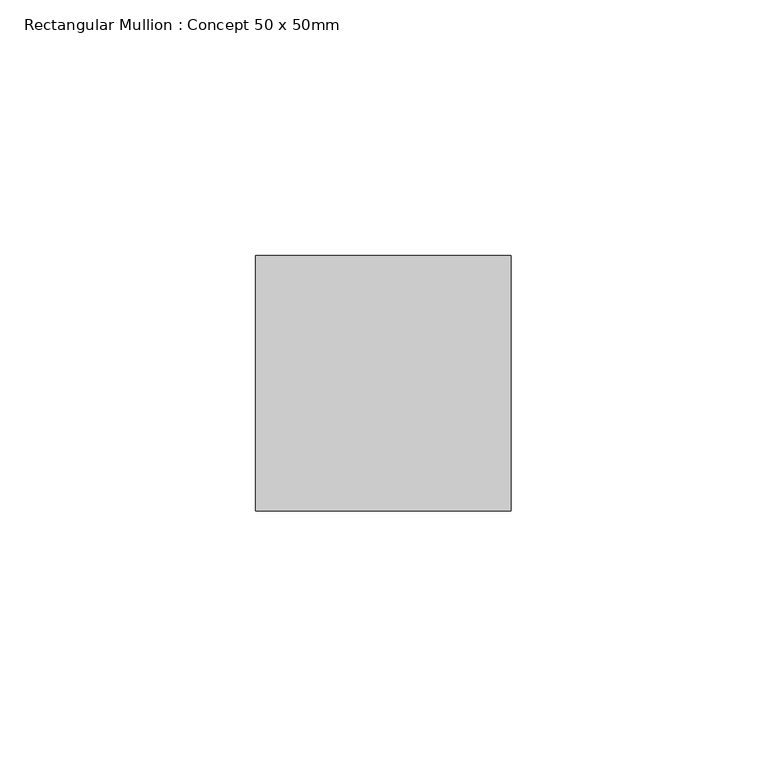
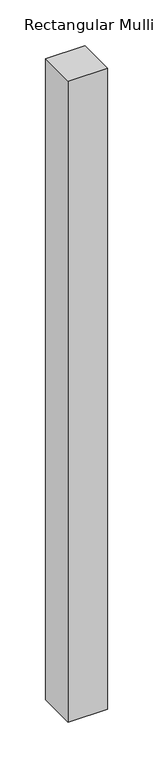
"""IFC4 building model written with IfcOpenShell, lengths in millimetres: member geometry, Rectangular Mullion : Concept 50 x 50mm."""

from ifc_helpers import new_model, si_unit, frame, origin, place, context, project, spatial, polyline, outline, extrude, source, transform, mapped, element, save


def rectangular_mullion_concept_50_x_50mm_f991f73f(model_context):
    return source(origin(), model_context, "Body", "SweptSolid", [
        extrude(outline(polyline([(0.0, 50.0), (0.0, 0.0), (-50.0, 0.0), (-50.0, 50.0), (0.0, 50.0)])), frame((0.0, 0.0, -858.75), z_axis=(0.0, 0.0, 1.0), x_axis=(1.0, 0.0, 0.0)), (0.0, 0.0, 1.0), 858.75),
    ])


if __name__ == "__main__":
    model = new_model("IFC4")
    model_context = context("Model", 3, world=origin())
    ifc_project = project(units=[si_unit("LENGTHUNIT", "METRE", prefix="MILLI")], contexts=[model_context])
    site = spatial("IfcSite", under=ifc_project)
    building = spatial("IfcBuilding", under=site)
    placement = place(None, origin())
    rectangular_mullion_concept_50_x_50mm_shape = rectangular_mullion_concept_50_x_50mm_f991f73f(model_context)
    element("IfcMember", 1, ObjectType="Rectangular Mullion : Concept 50 x 50mm", at=placement, inside=building, context=model_context, shape_type="MappedRepresentation", body=[
        mapped(rectangular_mullion_concept_50_x_50mm_shape, transform((0.0, 0.0, 0.0), x_axis=(1.0, 0.0, 0.0), y_axis=(0.0, 1.0, 0.0), z_axis=(0.0, 0.0, 1.0))),
    ])
    save(model, "model.ifc")
